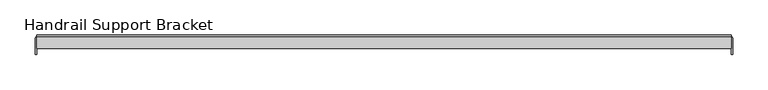
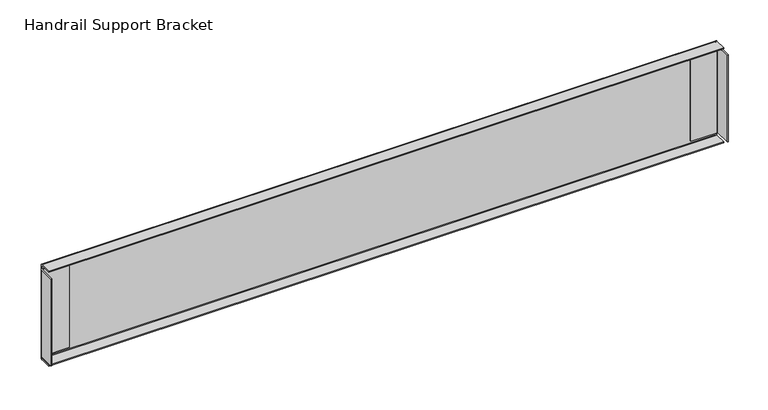
"""IFC4 building model written with IfcOpenShell, lengths in millimetres: furniture geometry, Handrail Support Bracket."""

from ifc_helpers import new_model, si_unit, point, frame, frame_2d, origin, place, context, project, spatial, polyline, circle_curve, trimmed, segment, composite_curve, outline, extrude, source, transform, mapped, element, save


def handrail_support_bracket_16d18c02(model_context):
    return source(origin(), model_context, "Body", "SweptSolid", [
        extrude(outline(composite_curve([segment(polyline([(-613.5014321, -28.66567), (-613.5014321, -5.6102892)]), True, "CONTINUOUS"), segment(trimmed(circle_curve(frame_2d((-611.0757331, -5.6102892)), 2.425699), [point((-613.5014321, -5.6102892))], [point((-611.0757331, -3.1845902))], False, "CARTESIAN"), True, "CONTINUOUS"), segment(polyline([(-611.0757331, -3.1845902), (-572.9757444, -3.1845902), (-572.9757444, -4.7974891), (-611.0757581, -4.7974891)]), True, "CONTINUOUS"), segment(trimmed(circle_curve(frame_2d((-611.0757581, -5.6102892)), 0.8128001), [point((-611.0757581, -4.7974891))], [point((-611.8885582, -5.6102892))], True, "CARTESIAN"), True, "CONTINUOUS"), segment(polyline([(-611.8885582, -5.6102892), (-611.8885582, -28.66567), (-613.5014321, -28.66567)]), True, "CONTINUOUS")], self_intersect=False)), frame((0.0, 0.0, 1460.4999516), z_axis=(0.0, 0.0, 1.0), x_axis=(1.0, 0.0, 0.0)), (0.0, 0.0, 1.0), 133.35),
        extrude(outline(composite_curve([segment(polyline([(370.634277, -28.66567), (369.0214031, -28.66567), (369.0214031, -5.6102892)]), True, "CONTINUOUS"), segment(trimmed(circle_curve(frame_2d((368.2086029, -5.6102892)), 0.8128001), [point((369.0214031, -5.6102892))], [point((368.2086029, -4.7974891))], True, "CARTESIAN"), True, "CONTINUOUS"), segment(polyline([(368.2086029, -4.7974891), (330.1085893, -4.7974891), (330.1085893, -3.1845902), (368.2085779, -3.1845902)]), True, "CONTINUOUS"), segment(trimmed(circle_curve(frame_2d((368.2085779, -5.6102892)), 2.425699), [point((368.2085779, -3.1845902))], [point((370.634277, -5.6102892))], False, "CARTESIAN"), True, "CONTINUOUS"), segment(polyline([(370.634277, -5.6102892), (370.634277, -28.66567)]), True, "CONTINUOUS")], self_intersect=False)), frame((0.0, 0.0, 1460.4999516), z_axis=(0.0, 0.0, 1.0), x_axis=(1.0, 0.0, 0.0)), (0.0, 0.0, 1.0), 133.35),
        extrude(outline(composite_curve([segment(polyline([(-20.0882902, 1600.2), (-3.4643612, 1600.2)]), True, "CONTINUOUS"), segment(trimmed(circle_curve(frame_2d((-3.4643612, 1597.7742987)), 2.4257013), [point((-3.4643612, 1600.2))], [point((-1.0386599, 1597.7742987))], False, "CARTESIAN"), True, "CONTINUOUS"), segment(polyline([(-1.0386599, 1597.7742987), (-1.0386599, 1456.5756771)]), True, "CONTINUOUS"), segment(trimmed(circle_curve(frame_2d((-3.4643612, 1456.5756771)), 2.4257013), [point((-1.0386599, 1456.5756771))], [point((-3.4643612, 1454.1499758))], False, "CARTESIAN"), True, "CONTINUOUS"), segment(polyline([(-3.4643612, 1454.1499758), (-20.0882902, 1454.1499758), (-20.0882902, 1455.762886), (-3.464004, 1455.762886)]), True, "CONTINUOUS"), segment(trimmed(circle_curve(frame_2d((-3.464004, 1456.5756998)), 0.8128138), [point((-3.464004, 1455.762886))], [point((-2.6511902, 1456.5756998))], True, "CARTESIAN"), True, "CONTINUOUS"), segment(polyline([(-2.6511902, 1456.5756998), (-2.6511902, 1597.7742896)]), True, "CONTINUOUS"), segment(trimmed(circle_curve(frame_2d((-3.4639903, 1597.7742896)), 0.8128001), [point((-2.6511902, 1597.7742896))], [point((-3.4639903, 1598.5870897))], True, "CARTESIAN"), True, "CONTINUOUS"), segment(polyline([(-3.4639903, 1598.5870897), (-20.0882902, 1598.5870897), (-20.0882902, 1600.2)]), True, "CONTINUOUS")], self_intersect=False)), frame((-611.6218593, 0.0, 0.0), z_axis=(1.0, 0.0, 0.0), x_axis=(0.0, 1.0, 0.0)), (0.0, 0.0, 1.0), 980.3765636),
    ])


if __name__ == "__main__":
    model = new_model("IFC4")
    model_context = context("Model", 3, world=origin())
    ifc_project = project(units=[si_unit("LENGTHUNIT", "METRE", prefix="MILLI")], contexts=[model_context])
    site = spatial("IfcSite", under=ifc_project)
    building = spatial("IfcBuilding", under=site)
    placement = place(None, origin())
    handrail_support_bracket_shape = handrail_support_bracket_16d18c02(model_context)
    element("IfcFurniture", 1, ObjectType="Handrail Support Bracket", at=placement, inside=building, context=model_context, shape_type="MappedRepresentation", body=[
        mapped(handrail_support_bracket_shape, transform((0.0, 0.0, 0.0), x_axis=(1.0, 0.0, 0.0), y_axis=(0.0, 1.0, 0.0), z_axis=(0.0, 0.0, 1.0))),
    ])
    save(model, "model.ifc")
